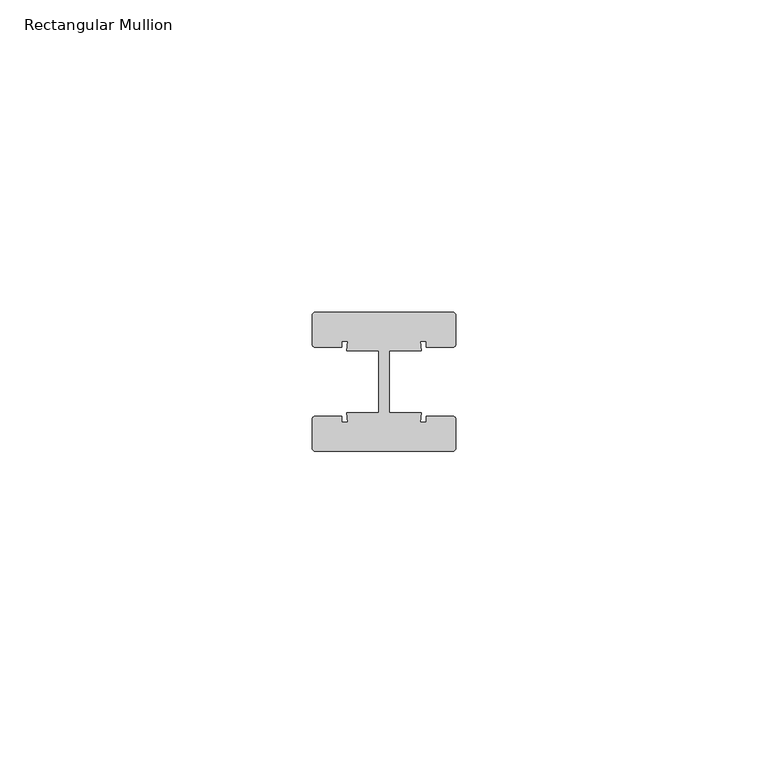
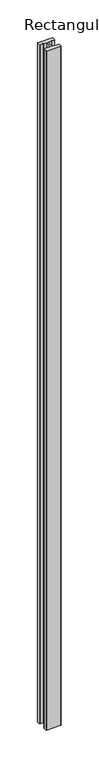
"""IFC4 building model written with IfcOpenShell, lengths in millimetres: member geometry, Rectangular Mullion."""

from ifc_helpers import new_model, si_unit, point, frame, frame_2d, origin, place, context, project, spatial, polyline, circle_curve, trimmed, segment, composite_curve, outline, extrude, source, transform, mapped, element, save


def rectangular_mullion_8f5831d9(model_context):
    return source(origin(), model_context, "Body", "SweptSolid", [
        extrude(outline(composite_curve([segment(trimmed(circle_curve(frame_2d((-11.0, 10.64)), 0.5), [point((-11.5, 10.64))], [point((-11.0, 11.14))], False, "CARTESIAN"), True, "CONTINUOUS"), segment(polyline([(-11.0, 11.14), (11.0, 11.14)]), True, "CONTINUOUS"), segment(trimmed(circle_curve(frame_2d((11.0, 10.64)), 0.5), [point((11.0, 11.14))], [point((11.5, 10.64))], False, "CARTESIAN"), True, "CONTINUOUS"), segment(polyline([(11.5, 10.64), (11.5, 6.0)]), True, "CONTINUOUS"), segment(trimmed(circle_curve(frame_2d((11.0, 6.0)), 0.5), [point((11.5, 6.0))], [point((11.0, 5.5))], False, "CARTESIAN"), True, "CONTINUOUS"), segment(polyline([(11.0, 5.5), (6.75, 5.5), (6.75, 6.5), (5.7984177, 6.5), (6.0, 5.0), (0.840625, 5.0), (0.840625, -5.0), (6.0, -5.0), (5.7984177, -6.5), (6.75, -6.5), (6.75, -5.5), (11.0, -5.5)]), True, "CONTINUOUS"), segment(trimmed(circle_curve(frame_2d((11.0, -6.0)), 0.5), [point((11.0, -5.5))], [point((11.5, -6.0))], False, "CARTESIAN"), True, "CONTINUOUS"), segment(polyline([(11.5, -6.0), (11.5, -10.64)]), True, "CONTINUOUS"), segment(trimmed(circle_curve(frame_2d((11.0, -10.64)), 0.5), [point((11.5, -10.64))], [point((11.0, -11.14))], False, "CARTESIAN"), True, "CONTINUOUS"), segment(polyline([(11.0, -11.14), (-11.0, -11.14)]), True, "CONTINUOUS"), segment(trimmed(circle_curve(frame_2d((-11.0, -10.64)), 0.5), [point((-11.0, -11.14))], [point((-11.5, -10.64))], False, "CARTESIAN"), True, "CONTINUOUS"), segment(polyline([(-11.5, -10.64), (-11.5, -6.0)]), True, "CONTINUOUS"), segment(trimmed(circle_curve(frame_2d((-11.0, -6.0)), 0.5), [point((-11.5, -6.0))], [point((-11.0, -5.5))], False, "CARTESIAN"), True, "CONTINUOUS"), segment(polyline([(-11.0, -5.5), (-6.75, -5.5), (-6.75, -6.5), (-5.7984177, -6.5), (-6.0, -5.0), (-0.840625, -5.0), (-0.840625, 5.0), (-6.0, 5.0), (-5.7984177, 6.5), (-6.75, 6.5), (-6.75, 5.5), (-11.0, 5.5)]), True, "CONTINUOUS"), segment(trimmed(circle_curve(frame_2d((-11.0, 6.0)), 0.5), [point((-11.0, 5.5))], [point((-11.5, 6.0))], False, "CARTESIAN"), True, "CONTINUOUS"), segment(polyline([(-11.5, 6.0), (-11.5, 10.64)]), True, "CONTINUOUS")], self_intersect=False)), frame((0.0, 0.0, -1096.7756252), z_axis=(0.0, 0.0, 1.0), x_axis=(1.0, 0.0, 0.0)), (0.0, 0.0, 1.0), 1096.7756252),
    ])


if __name__ == "__main__":
    model = new_model("IFC4")
    model_context = context("Model", 3, world=origin())
    ifc_project = project(units=[si_unit("LENGTHUNIT", "METRE", prefix="MILLI")], contexts=[model_context])
    site = spatial("IfcSite", under=ifc_project)
    building = spatial("IfcBuilding", under=site)
    placement = place(None, origin())
    rectangular_mullion_shape = rectangular_mullion_8f5831d9(model_context)
    element("IfcMember", 1, ObjectType="Rectangular Mullion", at=placement, inside=building, context=model_context, shape_type="MappedRepresentation", body=[
        mapped(rectangular_mullion_shape, transform((0.0, 0.0, 0.0), x_axis=(1.0, 0.0, 0.0), y_axis=(0.0, 1.0, 0.0), z_axis=(0.0, 0.0, 1.0))),
    ])
    save(model, "model.ifc")
